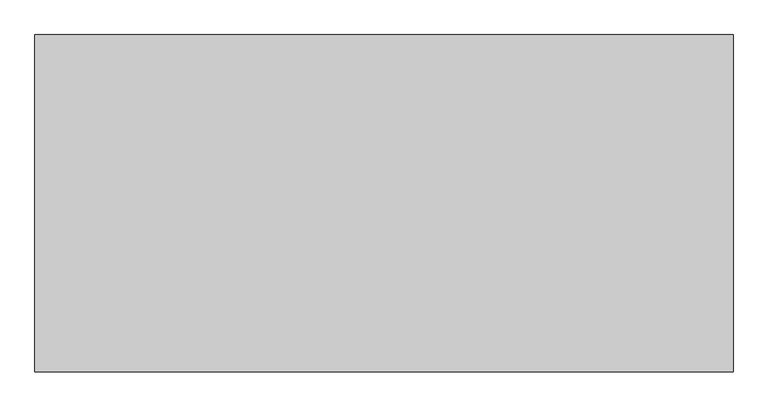
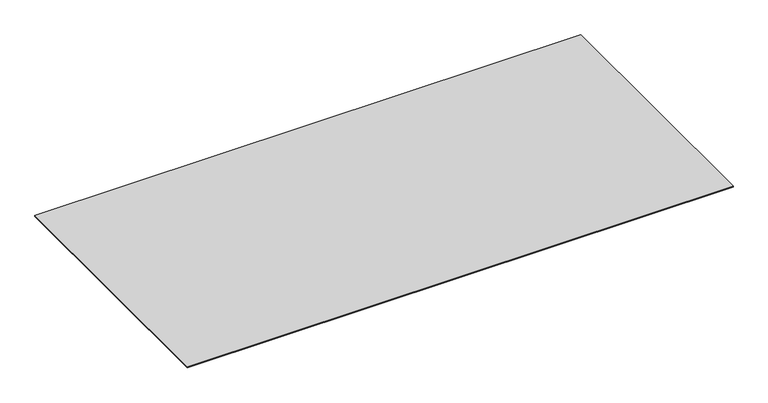
"""IFC4 building model written with IfcOpenShell, lengths in millimetres: furniture geometry."""

import ifcopenshell
import ifcopenshell.guid

model = None  # the IFC model being written
_history = None  # IfcOwnerHistory: only IFC2X3 demands one
_inside = {}  # id of a spatial element -> (the spatial element, [elements in it])
_under = {}  # id of a project, library or spatial element -> (it, [spatial elements below it])
_declared = {}  # id of a project -> (the project, [libraries it declares])
_typed = {}  # id of a type object -> (the type object, [elements of that type])
_made_of = {}  # id of a material, layer set ... -> (it, [elements and type objects made of it])


def new_model(schema):
    """Start an empty IFC model of exactly this schema.

    Asked for "IFC4X3", IfcOpenShell would pick the latest addendum, in which some entities
    have other attributes; the version numbers below select the first issue.
    IFC2X3 requires an IfcOwnerHistory on every rooted entity: one is made here for all.
    """
    global model, _history
    if schema == "IFC4X3":
        model = ifcopenshell.file(schema_version=(4, 3, 0, 0))
    else:
        model = ifcopenshell.file(schema=schema)
    _inside.clear()
    _under.clear()
    _declared.clear()
    _typed.clear()
    _made_of.clear()
    _history = None
    if model.schema == "IFC2X3":
        org = make("IfcOrganization", Name="unknown")
        user = make(
            "IfcPersonAndOrganization",
            ThePerson=make("IfcPerson", FamilyName="unknown"),
            TheOrganization=org,
        )
        app = make(
            "IfcApplication",
            ApplicationDeveloper=org,
            Version="unknown",
            ApplicationFullName="unknown",
            ApplicationIdentifier="unknown",
        )
        _history = make(
            "IfcOwnerHistory",
            OwningUser=user,
            OwningApplication=app,
            ChangeAction="ADDED",
            CreationDate=0,
        )
    return model


def make(cls, **values):
    """One entity of the class cls with the attributes given. An attribute that is None is left unset."""
    return model.create_entity(
        cls, **{name: value for name, value in values.items() if value is not None}
    )


def rooted(cls, **values):
    """An entity with a GlobalId (a new one), such as an element, a storey or a relation."""
    return make(cls, GlobalId=ifcopenshell.guid.new(), OwnerHistory=_history, **values)


def si_unit(unit_type, name, prefix=None):
    """IfcSIUnit, for example si_unit("LENGTHUNIT", "METRE", prefix="MILLI")."""
    return make("IfcSIUnit", UnitType=unit_type, Prefix=prefix, Name=name)


def assignment(units):
    """IfcUnitAssignment: the units of a project."""
    return None if units is None else make("IfcUnitAssignment", Units=units)


def point(xyz):
    """IfcCartesianPoint."""
    return None if xyz is None else make("IfcCartesianPoint", Coordinates=xyz)


def direction(xyz):
    """IfcDirection."""
    return None if xyz is None else make("IfcDirection", DirectionRatios=xyz)


def frame(location, z_axis=None, x_axis=None):
    """IfcAxis2Placement3D, a coordinate frame: its origin and axes. An axis left out is left unset."""
    return make(
        "IfcAxis2Placement3D",
        Location=point(location),
        Axis=direction(z_axis),
        RefDirection=direction(x_axis),
    )


def origin():
    """The frame at (0, 0, 0) with its axes left unset."""
    return frame((0.0, 0.0, 0.0))


def origin_with_axes():
    """The frame at (0, 0, 0) with the z axis (0, 0, 1) and the x axis (1, 0, 0) written out."""
    return frame((0.0, 0.0, 0.0), z_axis=(0.0, 0.0, 1.0), x_axis=(1.0, 0.0, 0.0))


def place(relative_to, where):
    """IfcLocalPlacement: puts the frame where relative to a parent placement (None: the world)."""
    return make(
        "IfcLocalPlacement", PlacementRelTo=relative_to, RelativePlacement=where
    )


def context(
    kind, dimensions, precision=None, world=None, true_north=None, identifier=None
):
    """IfcGeometricRepresentationContext, for example the 3D "Model" context."""
    return make(
        "IfcGeometricRepresentationContext",
        ContextIdentifier=identifier,
        ContextType=kind,
        CoordinateSpaceDimension=dimensions,
        Precision=precision,
        WorldCoordinateSystem=world,
        TrueNorth=true_north,
    )


def project(units=None, contexts=None):
    """IfcProject with its units and contexts."""
    return rooted(
        "IfcProject",
        Name="project",
        RepresentationContexts=contexts,
        UnitsInContext=assignment(units),
    )


def spatial(cls, under=None, at=None, **own):
    """A site, building, storey or space (cls), placed at a placement, below another one or the project."""
    s = rooted(cls, ObjectPlacement=at, **own)
    if under is not None:
        _under.setdefault(under.id(), (under, []))[1].append(s)
    return s


def polyline(points):
    """IfcPolyline through the points."""
    return make("IfcPolyline", Points=[point(p) for p in points])


def outline(outer, holes=None, kind="AREA"):
    """IfcArbitraryClosedProfileDef: a profile drawn as a closed curve; with holes, ...WithVoids."""
    if holes is None:
        return make("IfcArbitraryClosedProfileDef", ProfileType=kind, OuterCurve=outer)
    return make(
        "IfcArbitraryProfileDefWithVoids",
        ProfileType=kind,
        OuterCurve=outer,
        InnerCurves=holes,
    )


def extrude(swept, where, along, depth):
    """IfcExtrudedAreaSolid: the profile swept, set in the frame where, extruded along a direction by depth."""
    return make(
        "IfcExtrudedAreaSolid",
        SweptArea=swept,
        Position=where,
        ExtrudedDirection=direction(along),
        Depth=depth,
    )


def shape(context_of_items, identifier, shape_type, items):
    """IfcShapeRepresentation: the items that make up one representation, for example the "Body"."""
    return make(
        "IfcShapeRepresentation",
        ContextOfItems=context_of_items,
        RepresentationIdentifier=identifier,
        RepresentationType=shape_type,
        Items=items,
    )


def source(mapping_origin, context_of_items, identifier, shape_type, items):
    """IfcRepresentationMap: a shape defined once, which mapped items show again and again."""
    return make(
        "IfcRepresentationMap",
        MappingOrigin=mapping_origin,
        MappedRepresentation=shape(context_of_items, identifier, shape_type, items),
    )


def transform(
    local_origin,
    x_axis=None,
    y_axis=None,
    z_axis=None,
    scale=None,
    scale2=None,
    scale3=None,
    uniform=True,
):
    """IfcCartesianTransformationOperator3D, or its non-uniform kind. x_axis, y_axis, z_axis: its Axis1, 2, 3."""
    if uniform:
        return make(
            "IfcCartesianTransformationOperator3D",
            Axis1=direction(x_axis),
            Axis2=direction(y_axis),
            LocalOrigin=point(local_origin),
            Scale=scale,
            Axis3=direction(z_axis),
        )
    return make(
        "IfcCartesianTransformationOperator3DnonUniform",
        Axis1=direction(x_axis),
        Axis2=direction(y_axis),
        LocalOrigin=point(local_origin),
        Scale=scale,
        Axis3=direction(z_axis),
        Scale2=scale2,
        Scale3=scale3,
    )


def mapped(mapping_source, mapping_target):
    """IfcMappedItem: shows the shape of a source again, moved by a transform."""
    return make(
        "IfcMappedItem", MappingSource=mapping_source, MappingTarget=mapping_target
    )


def made_of(thing, what):
    """Note that an element or type object is made of a material, layer set ...; save() writes the relation."""
    if what is not None:
        _made_of.setdefault(what.id(), (what, []))[1].append(thing)
    return thing


def element(
    cls,
    number,
    at=None,
    inside=None,
    cuts=None,
    type_object=None,
    material=None,
    context=None,
    identifier="Body",
    shape_type=None,
    held_by="IfcProductDefinitionShape",
    body=None,
    shapes=None,
    **own,
):
    """One element of the class cls, such as IfcWall. Its Tag is "e" and its number.

    at: its placement. inside: the storey or other place that contains it. cuts: it is an
    opening in that element (IfcRelVoidsElement). A single representation is given by context,
    identifier, shape_type and body (its items); several are given by shapes. held_by: the class
    of the entity that holds the representations. save() writes the other relations.
    """
    e = rooted(cls, Tag="e%d" % number, ObjectPlacement=at, **own)
    if body is not None:
        shapes = [shape(context, identifier, shape_type, body)]
    if shapes is not None:
        e.Representation = make(held_by, Representations=shapes)
    if inside is not None:
        _inside.setdefault(inside.id(), (inside, []))[1].append(e)
    if cuts is not None:
        rooted(
            "IfcRelVoidsElement", RelatingBuildingElement=cuts, RelatedOpeningElement=e
        )
    if type_object is not None:
        _typed.setdefault(type_object.id(), (type_object, []))[1].append(e)
    return made_of(e, material)


def aggregate(whole, parts):
    """IfcRelAggregates: a whole, such as a stair, and the parts it consists of."""
    return rooted("IfcRelAggregates", RelatingObject=whole, RelatedObjects=parts)


def save(model, path):
    """Write the relations noted so far, then the file.

    IfcRelAggregates (storeys below a building ...), IfcRelContainedInSpatialStructure (elements
    in a storey), IfcRelDefinesByType, IfcRelAssociatesMaterial and IfcRelDeclares: one each for
    every whole, place, type object, material and project.
    """
    for whole, parts in _under.values():
        aggregate(whole, parts)
    for where, things in _inside.values():
        rooted(
            "IfcRelContainedInSpatialStructure",
            RelatedElements=things,
            RelatingStructure=where,
        )
    for kind, things in _typed.values():
        rooted("IfcRelDefinesByType", RelatedObjects=things, RelatingType=kind)
    for what, things in _made_of.values():
        rooted("IfcRelAssociatesMaterial", RelatedObjects=things, RelatingMaterial=what)
    for by, libraries in _declared.values():
        rooted("IfcRelDeclares", RelatingContext=by, RelatedDefinitions=libraries)
    model.write(path)


def furniture_cc6ca68c(model_context):
    return source(origin(), model_context, "Body", "SweptSolid", [
        extrude(outline(polyline([(2700.734375, 724.4953125), (2700.734375, -725.884375), (-299.0453125, -725.884375), (-299.0453125, 724.4953125), (2700.734375, 724.4953125)])), origin_with_axes(), (0.0, 0.0, 1.0), 6.35),
    ])


if __name__ == "__main__":
    model = new_model("IFC4")
    model_context = context("Model", 3, world=origin())
    ifc_project = project(units=[si_unit("LENGTHUNIT", "METRE", prefix="MILLI")], contexts=[model_context])
    site = spatial("IfcSite", under=ifc_project)
    building = spatial("IfcBuilding", under=site)
    placement = place(None, origin())
    furniture_shape = furniture_cc6ca68c(model_context)
    element("IfcFurniture", 1, at=placement, inside=building, context=model_context, shape_type="MappedRepresentation", body=[
        mapped(furniture_shape, transform((0.0, 0.0, 0.0), x_axis=(1.0, 0.0, 0.0), y_axis=(0.0, 1.0, 0.0), z_axis=(0.0, 0.0, 1.0))),
    ])
    save(model, "model.ifc")
